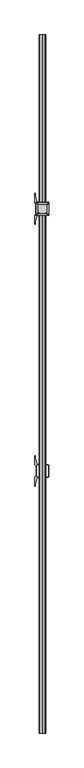
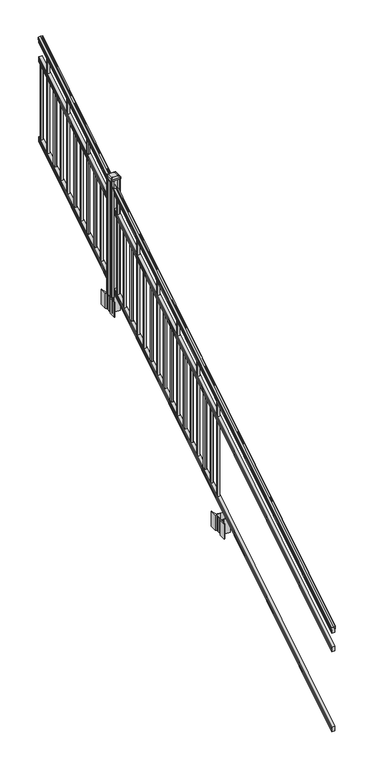
"""IFC4 building model written with IfcOpenShell, lengths in millimetres: railing geometry."""

from ifc_helpers import new_model, si_unit, point, frame, frame_2d, origin, place, context, project, spatial, polyline, circle_curve, ellipse_curve, trimmed, segment, composite_curve, outline, extrude, faceted_brep, source, transform, mapped, element, save
from ifc_brep_helpers import plane_surface, cylinder_surface, revolved_surface, extruded_surface, advanced_brep


def railing_b158373d(model_context):
    return source(origin(), model_context, "Body", "SolidModel", [
        advanced_brep(
        [(9720.6704765, -115957.2628453, 1285.6070492), (9720.6704765, -115957.2628453, 1287.8335658), (9721.8006628, -115957.2628453, 1289.6758543), (9721.8006628, -115957.2628453, 1298.1876358), (9721.1514064, -115957.2628453, 1301.0572588), (9723.6514064, -115957.2628453, 1306.1635509), (9725.0607489, -115957.2628453, 1308.1442021), (9725.4626479, -115957.2628453, 1309.4469579), (9725.4626478, -115957.2628453, 1311.0274846), (9723.9092005, -115957.2628453, 1312.8593836), (9703.2376478, -115957.2628453, 1312.8593836), (9682.566095, -115957.2628453, 1312.8593836), (9681.0126478, -115957.2628453, 1311.0274846), (9681.0126478, -115957.2628453, 1309.4469579), (9681.4145467, -115957.2628453, 1308.1442021), (9682.8238891, -115957.2628453, 1306.1635509), (9685.3238891, -115957.2628453, 1301.0572588), (9684.6746327, -115957.2628453, 1298.1876358), (9684.6746327, -115957.2628453, 1289.6758543), (9685.804819, -115957.2628453, 1287.8335658), (9685.804819, -115957.2628453, 1285.6070492), (9688.3786478, -115957.2628453, 1285.6070492), (9688.3786478, -115957.2628453, 1273.225537), (9687.3626478, -115957.2628453, 1272.0274214), (9687.3626478, -115957.2628453, 1257.3), (9719.1126478, -115957.2628453, 1257.3), (9719.1126478, -115957.2628453, 1271.841318), (9718.0966478, -115957.2628453, 1273.0394336), (9718.0966478, -115957.2628453, 1285.6070492), (9720.6704765, -111080.4628453, 4333.6070492), (9718.0966478, -111080.4628453, 4333.6070492), (9718.0966478, -111080.4628453, 4321.0394336), (9719.1126478, -111080.4628453, 4319.841318), (9719.1126478, -111080.4628453, 4305.3), (9687.3626478, -111080.4628453, 4305.3), (9687.3626478, -111080.4628453, 4320.0274214), (9688.3786478, -111080.4628453, 4321.225537), (9688.3786478, -111080.4628453, 4333.6070492), (9685.804819, -111080.4628453, 4333.6070492), (9685.804819, -111080.4628453, 4335.8335658), (9684.6746327, -111080.4628453, 4337.6758543), (9684.6746327, -111080.4628453, 4346.1876358), (9685.3238891, -111080.4628453, 4349.0572588), (9682.8238891, -111080.4628453, 4354.1635509), (9681.4145467, -111080.4628453, 4356.1442021), (9681.0126477, -111080.4628453, 4357.4469579), (9681.0126478, -111080.4628453, 4359.0274846), (9682.566095, -111080.4628453, 4360.8593836), (9703.2376478, -111080.4628453, 4360.8593836), (9723.9092005, -111080.4628453, 4360.8593836), (9725.4626478, -111080.4628453, 4359.0274846), (9725.4626478, -111080.4628453, 4357.4469579), (9725.0607489, -111080.4628453, 4356.1442021), (9723.6514064, -111080.4628453, 4354.1635509), (9721.1514064, -111080.4628453, 4349.0572588), (9721.8006628, -111080.4628453, 4346.1876358), (9721.8006628, -111080.4628453, 4337.6758543), (9720.6704765, -111080.4628453, 4335.8335658)],
        [
            (0, 1),
            (1, 2, ellipse_curve(frame((9714.3557232, -115957.2628453, 1294.6239405), z_axis=(0.0, -1.0, 0.0), x_axis=(0.0, 0.0, -1.0)), 10.0777926, 8.545951)),
            (2, 3, ellipse_curve(frame((9714.7927862, -115957.2628453, 1293.9317451), z_axis=(0.0, -1.0, 0.0), x_axis=(0.0, 0.0, -1.0)), 9.2955186, 7.882584)),
            (3, 4, ellipse_curve(frame((9725.3061103, -115957.2628453, 1300.8275077), z_axis=(0.0, 1.0, 0.0), x_axis=(0.0, 0.0, 1.0)), 4.9048088, 4.1592695)),
            (4, 5, ellipse_curve(frame((9726.5934169, -115957.2628453, 1300.7563208), z_axis=(0.0, 1.0, 0.0), x_axis=(0.0, 0.0, 1.0)), 6.4245301, 5.4479907)),
            (5, 6, ellipse_curve(frame((9725.3602584, -115957.2628453, 1306.1602333), z_axis=(0.0, 1.0, 0.0), x_axis=(0.0, 0.0, 1.0)), 2.0151625, 1.7088543)),
            (6, 7, ellipse_curve(frame((9723.7433583, -115957.2628453, 1309.4469579), z_axis=(0.0, -1.0, 0.0), x_axis=(0.0, 0.0, -1.0)), 2.0274681, 1.7192895)),
            (7, 8),
            (8, 9, ellipse_curve(frame((9723.9092005, -115957.2628453, 1311.0274846), z_axis=(0.0, -1.0, 0.0), x_axis=(0.0, 0.0, -1.0)), 1.831899, 1.5534472)),
            (9, 10),
            (10, 11),
            (11, 12, ellipse_curve(frame((9682.566095, -115957.2628453, 1311.0274846), z_axis=(0.0, -1.0, 0.0), x_axis=(0.0, 0.0, -1.0)), 1.831899, 1.5534472)),
            (12, 13),
            (13, 14, ellipse_curve(frame((9682.7319372, -115957.2628453, 1309.4469579), z_axis=(0.0, -1.0, 0.0), x_axis=(0.0, 0.0, -1.0)), 2.0274681, 1.7192895)),
            (14, 15, ellipse_curve(frame((9681.1150371, -115957.2628453, 1306.1602333), z_axis=(0.0, 1.0, 0.0), x_axis=(0.0, 0.0, 1.0)), 2.0151625, 1.7088543)),
            (15, 16, ellipse_curve(frame((9679.8818787, -115957.2628453, 1300.7563208), z_axis=(0.0, 1.0, 0.0), x_axis=(0.0, 0.0, 1.0)), 6.4245301, 5.4479907)),
            (16, 17, ellipse_curve(frame((9681.1691852, -115957.2628453, 1300.8275077), z_axis=(0.0, 1.0, 0.0), x_axis=(0.0, 0.0, 1.0)), 4.9048088, 4.1592695)),
            (17, 18, ellipse_curve(frame((9691.6825093, -115957.2628453, 1293.9317451), z_axis=(0.0, -1.0, 0.0), x_axis=(0.0, 0.0, -1.0)), 9.2955186, 7.882584)),
            (18, 19, ellipse_curve(frame((9692.1195723, -115957.2628453, 1294.6239405), z_axis=(0.0, -1.0, 0.0), x_axis=(0.0, 0.0, -1.0)), 10.0777926, 8.545951)),
            (19, 20),
            (20, 21, ellipse_curve(frame((9687.0917334, -115957.2628453, 1285.6070492), z_axis=(0.0, -1.0, 0.0), x_axis=(0.0, 0.0, -1.0)), 1.5175907, 1.2869144)),
            (21, 22),
            (22, 23),
            (23, 24),
            (24, 25),
            (25, 26),
            (26, 27),
            (27, 28),
            (28, 0, ellipse_curve(frame((9719.3835621, -115957.2628453, 1285.6070492), z_axis=(0.0, -1.0, 0.0), x_axis=(0.0, 0.0, -1.0)), 1.5175907, 1.2869144)),
            (29, 30, ellipse_curve(frame((9719.3835621, -111080.4628453, 4333.6070492), z_axis=(0.0, 1.0, 0.0), x_axis=(0.0, 0.0, -1.0)), 1.5175907, 1.2869144)),
            (30, 31),
            (31, 32),
            (32, 33),
            (33, 34),
            (34, 35),
            (35, 36),
            (36, 37),
            (37, 38, ellipse_curve(frame((9687.0917334, -111080.4628453, 4333.6070492), z_axis=(0.0, 1.0, 0.0), x_axis=(0.0, 0.0, -1.0)), 1.5175907, 1.2869144)),
            (38, 39),
            (39, 40, ellipse_curve(frame((9692.1195723, -111080.4628453, 4342.6239405), z_axis=(0.0, 1.0, 0.0), x_axis=(0.0, 0.0, -1.0)), 10.0777926, 8.545951)),
            (40, 41, ellipse_curve(frame((9691.6825093, -111080.4628453, 4341.9317451), z_axis=(0.0, 1.0, 0.0), x_axis=(0.0, 0.0, -1.0)), 9.2955186, 7.882584)),
            (41, 42, ellipse_curve(frame((9681.1691852, -111080.4628453, 4348.8275077), z_axis=(0.0, -1.0, 0.0), x_axis=(0.0, 0.0, 1.0)), 4.9048088, 4.1592695)),
            (42, 43, ellipse_curve(frame((9679.8818787, -111080.4628453, 4348.7563208), z_axis=(0.0, -1.0, 0.0), x_axis=(0.0, 0.0, 1.0)), 6.4245301, 5.4479907)),
            (43, 44, ellipse_curve(frame((9681.1150371, -111080.4628453, 4354.1602333), z_axis=(0.0, -1.0, 0.0), x_axis=(0.0, 0.0, 1.0)), 2.0151625, 1.7088543)),
            (44, 45, ellipse_curve(frame((9682.7319372, -111080.4628453, 4357.4469579), z_axis=(0.0, 1.0, 0.0), x_axis=(0.0, 0.0, -1.0)), 2.0274681, 1.7192895)),
            (45, 46),
            (46, 47, ellipse_curve(frame((9682.566095, -111080.4628453, 4359.0274846), z_axis=(0.0, 1.0, 0.0), x_axis=(0.0, 0.0, -1.0)), 1.831899, 1.5534472)),
            (47, 48),
            (48, 49),
            (49, 50, ellipse_curve(frame((9723.9092005, -111080.4628453, 4359.0274846), z_axis=(0.0, 1.0, 0.0), x_axis=(0.0, 0.0, -1.0)), 1.831899, 1.5534472)),
            (50, 51),
            (51, 52, ellipse_curve(frame((9723.7433583, -111080.4628453, 4357.4469579), z_axis=(0.0, 1.0, 0.0), x_axis=(0.0, 0.0, -1.0)), 2.0274681, 1.7192895)),
            (52, 53, ellipse_curve(frame((9725.3602584, -111080.4628453, 4354.1602333), z_axis=(0.0, -1.0, 0.0), x_axis=(0.0, 0.0, 1.0)), 2.0151625, 1.7088543)),
            (53, 54, ellipse_curve(frame((9726.5934169, -111080.4628453, 4348.7563208), z_axis=(0.0, -1.0, 0.0), x_axis=(0.0, 0.0, 1.0)), 6.4245301, 5.4479907)),
            (54, 55, ellipse_curve(frame((9725.3061103, -111080.4628453, 4348.8275077), z_axis=(0.0, -1.0, 0.0), x_axis=(0.0, 0.0, 1.0)), 4.9048088, 4.1592695)),
            (55, 56, ellipse_curve(frame((9714.7927862, -111080.4628453, 4341.9317451), z_axis=(0.0, 1.0, 0.0), x_axis=(0.0, 0.0, -1.0)), 9.2955186, 7.882584)),
            (56, 57, ellipse_curve(frame((9714.3557232, -111080.4628453, 4342.6239405), z_axis=(0.0, 1.0, 0.0), x_axis=(0.0, 0.0, -1.0)), 10.0777926, 8.545951)),
            (57, 29),
            (28, 30),
            (29, 0),
            (27, 31),
            (26, 32),
            (25, 33),
            (24, 34),
            (23, 35),
            (22, 36),
            (21, 37),
            (20, 38),
            (19, 39),
            (18, 40),
            (17, 41),
            (16, 42),
            (15, 43),
            (14, 44),
            (13, 45),
            (12, 46),
            (11, 47),
            (10, 48),
            (9, 49),
            (8, 50),
            (7, 51),
            (6, 52),
            (5, 53),
            (4, 54),
            (3, 55),
            (2, 56),
            (1, 57),
        ],
        [
            plane_surface(frame((9703.2376478, -115957.2628453, 1257.3), z_axis=(0.0, -1.0, 0.0), x_axis=(0.0, 0.0, 1.0))),
            plane_surface(frame((9703.2376478, -111080.4628453, 4305.3), z_axis=(0.0, 1.0, 0.0), x_axis=(0.0, 0.0, 1.0))),
            cylinder_surface(frame((9719.3835621, -115969.9851146, 1277.6556309), z_axis=(0.0, -0.8479983040051253, -0.5299989400031204), x_axis=(-1.0, 0.0, 0.0)), 1.2869144),
            plane_surface(frame((9718.0966478, -115957.2628453, 1273.0394336), z_axis=(1.0, 0.0, 0.0), x_axis=(0.0, 0.8479983040051252, 0.5299989400031204))),
            plane_surface(frame((9719.1126478, -115957.2628453, 1271.841318), z_axis=(0.7071067811865389, -0.374765844497894, 0.5996253511967226), x_axis=(0.0, 0.8479983040051253, 0.5299989400031204))),
            plane_surface(frame((9719.1126478, -115957.2628453, 1257.3), z_axis=(1.0, 0.0, 0.0), x_axis=(0.0, 0.8479983040051252, 0.5299989400031204))),
            plane_surface(frame((9687.3626478, -115957.2628453, 1257.3), z_axis=(0.0, 0.5299989400031204, -0.8479983040051252), x_axis=(0.0, 0.8479983040051252, 0.5299989400031204))),
            plane_surface(frame((9687.3626478, -115957.2628453, 1272.0274214), z_axis=(-1.0, 0.0, 0.0), x_axis=(0.0, 0.8479983040051252, 0.5299989400031204))),
            plane_surface(frame((9688.3786478, -115957.2628453, 1273.225537), z_axis=(-0.7071067811865437, -0.3747658444978899, 0.5996253511967191), x_axis=(0.0, 0.8479983040051252, 0.5299989400031205))),
            plane_surface(frame((9688.3786478, -115957.2628453, 1285.6070492), z_axis=(-1.0, 0.0, 0.0), x_axis=(0.0, 0.8479983040051252, 0.5299989400031204))),
            cylinder_surface(frame((9687.0917334, -115969.9851146, 1277.6556309), z_axis=(0.0, -0.8479983040051253, -0.5299989400031204), x_axis=(1.0, 0.0, 0.0)), 1.2869144),
            plane_surface(frame((9685.804819, -115957.2628453, 1287.8335658), z_axis=(-1.0, 0.0, 0.0), x_axis=(0.0, 0.8479983040051252, 0.5299989400031204))),
            cylinder_surface(frame((9692.1195723, -115974.03765, 1284.1396876), z_axis=(0.0, -0.8479983040051253, -0.5299989400031204), x_axis=(1.0, 0.0, 0.0)), 8.545951),
            cylinder_surface(frame((9691.6825093, -115973.7265509, 1283.641929), z_axis=(0.0, -0.8479983040051253, -0.5299989400031204), x_axis=(1.0, 0.0, 0.0)), 7.882584),
            revolved_surface(polyline([(9685.3284547, -111078.25843685034, 4350.205262980551), (9685.3284547, -115959.46725374945, 1299.4497524190954)]), (9681.1691852, -115976.8257701, 1288.6006797), (0.0, 0.8479983040051253, 0.5299989400031204)),
            revolved_surface(polyline([(9685.3298694, -111077.57541603575, 4350.5609640771845), (9685.3298694, -115960.15027455281, 1298.9516775044929)]), (9679.8818787, -115976.793776, 1288.5494891), (0.0, 0.8479983040051253, 0.5299989400031204)),
            revolved_surface(polyline([(9682.823891400001, -111079.55715429978, 4354.726290199651), (9682.823891400001, -115958.16853632247, 1305.594176435948)]), (9681.1150371, -115979.2225007, 1292.4354487), (0.0, 0.8479983040051253, 0.5299989400031204)),
            cylinder_surface(frame((9682.7319372, -115980.6996803, 1294.798936), z_axis=(0.0, -0.8479983040051253, -0.5299989400031204), x_axis=(1.0, 0.0, 0.0)), 1.7192895),
            plane_surface(frame((9681.0126478, -115957.2628453, 1311.0274846), z_axis=(-1.0, 0.0, 0.0), x_axis=(0.0, 0.8479983040051252, 0.5299989400031204))),
            cylinder_surface(frame((9682.566095, -115981.4100294, 1295.9354945), z_axis=(0.0, -0.8479983040051253, -0.5299989400031204), x_axis=(1.0, 0.0, 0.0)), 1.5534472),
            plane_surface(frame((9703.2376478, -115957.2628453, 1312.8593836), z_axis=(0.0, -0.5299989400031204, 0.8479983040051252), x_axis=(0.0, 0.8479983040051252, 0.5299989400031204))),
            plane_surface(frame((9723.9092005, -115957.2628453, 1312.8593836), z_axis=(0.0, -0.5299989400031204, 0.8479983040051252), x_axis=(0.0, 0.8479983040051252, 0.5299989400031204))),
            cylinder_surface(frame((9723.9092005, -115981.4100294, 1295.9354945), z_axis=(0.0, -0.8479983040051253, -0.5299989400031204), x_axis=(-1.0, 0.0, 0.0)), 1.5534472),
            plane_surface(frame((9725.4626478, -115957.2628453, 1309.4469579), z_axis=(1.0, 0.0, 0.0), x_axis=(0.0, 0.8479983040051252, 0.5299989400031204))),
            cylinder_surface(frame((9723.7433583, -115980.6996803, 1294.798936), z_axis=(0.0, -0.8479983040051253, -0.5299989400031204), x_axis=(-1.0, 0.0, 0.0)), 1.7192895),
            revolved_surface(polyline([(9723.6514041, -111079.55715429978, 4354.726290199651), (9723.6514041, -115958.16853632247, 1305.594176435948)]), (9725.3602584, -115979.2225007, 1292.4354487), (0.0, 0.8479983040051253, 0.5299989400031204)),
            revolved_surface(polyline([(9721.145426199999, -111077.57541603575, 4350.5609640771845), (9721.145426199999, -115960.15027455281, 1298.9516775044929)]), (9726.5934169, -115976.793776, 1288.5494891), (0.0, 0.8479983040051253, 0.5299989400031204)),
            revolved_surface(polyline([(9721.1468408, -111078.25843685034, 4350.205262980551), (9721.1468408, -115959.46725374945, 1299.4497524190954)]), (9725.3061103, -115976.8257701, 1288.6006797), (0.0, 0.8479983040051253, 0.5299989400031204)),
            cylinder_surface(frame((9714.7927862, -115973.7265509, 1283.641929), z_axis=(0.0, -0.8479983040051253, -0.5299989400031204), x_axis=(-1.0, 0.0, 0.0)), 7.882584),
            cylinder_surface(frame((9714.3557232, -115974.03765, 1284.1396876), z_axis=(0.0, -0.8479983040051253, -0.5299989400031204), x_axis=(-1.0, 0.0, 0.0)), 8.545951),
            plane_surface(frame((9720.6704765, -115957.2628453, 1285.6070492), z_axis=(1.0, 0.0, 0.0), x_axis=(0.0, 0.8479983040051252, 0.5299989400031204))),
        ],
        [
            (0, [[1, 2, 3, 4, 5, 6, 7, 8, 9, 10, 11, 12, 13, 14, 15, 16, 17, 18, 19, 20, 21, 22, 23, 24, 25, 26, 27, 28, 29]]),
            (1, [[30, 31, 32, 33, 34, 35, 36, 37, 38, 39, 40, 41, 42, 43, 44, 45, 46, 47, 48, 49, 50, 51, 52, 53, 54, 55, 56, 57, 58]]),
            (2, [[-29, 59, -30, 60]]),
            (3, [[-28, 61, -31, -59]]),
            (4, [[-27, 62, -32, -61]]),
            (5, [[-26, 63, -33, -62]]),
            (6, [[-25, 64, -34, -63]]),
            (7, [[-24, 65, -35, -64]]),
            (8, [[-23, 66, -36, -65]]),
            (9, [[-22, 67, -37, -66]]),
            (10, [[-21, 68, -38, -67]]),
            (11, [[-20, 69, -39, -68]]),
            (12, [[-19, 70, -40, -69]]),
            (13, [[-18, 71, -41, -70]]),
            (14, [[-17, 72, -42, -71]]),
            (15, [[-16, 73, -43, -72]]),
            (16, [[-15, 74, -44, -73]]),
            (17, [[-14, 75, -45, -74]]),
            (18, [[-13, 76, -46, -75]]),
            (19, [[-12, 77, -47, -76]]),
            (20, [[-11, 78, -48, -77]]),
            (21, [[-10, 79, -49, -78]]),
            (22, [[-9, 80, -50, -79]]),
            (23, [[-8, 81, -51, -80]]),
            (24, [[-7, 82, -52, -81]]),
            (25, [[-6, 83, -53, -82]]),
            (26, [[-5, 84, -54, -83]]),
            (27, [[-4, 85, -55, -84]]),
            (28, [[-3, 86, -56, -85]]),
            (29, [[-2, 87, -57, -86]]),
            (30, [[-1, -60, -58, -87]]),
        ],
    ),
        faceted_brep([(9719.1501347, -115957.2628453, 1081.6045079), (9718.1341347, -115957.2628453, 1083.138026), (9718.1341347, -115957.2628453, 1095.3545048), (9719.1501347, -115957.2628453, 1096.9444579), (9719.1501347, -115957.2628453, 1111.7244744), (9687.4001347, -115957.2628453, 1111.7244744), (9687.4001347, -115957.2628453, 1096.9248272), (9688.4161347, -115957.2628453, 1095.3348741), (9688.4161347, -115957.2628453, 1083.1748303), (9687.4001347, -115957.2628453, 1081.5848772), (9687.4001347, -115957.2628453, 1066.8), (9719.1501347, -115957.2628453, 1066.8), (9719.1501347, -111080.4628453, 4129.6045079), (9719.1501347, -111080.4628453, 4114.8), (9687.4001347, -111080.4628453, 4114.8), (9687.4001347, -111080.4628453, 4129.5848772), (9688.4161347, -111080.4628453, 4131.1748303), (9688.4161347, -111080.4628453, 4143.3348741), (9687.4001347, -111080.4628453, 4144.9248272), (9687.4001347, -111080.4628453, 4159.7244744), (9719.1501347, -111080.4628453, 4159.7244744), (9719.1501347, -111080.4628453, 4144.9444579), (9718.1341347, -111080.4628453, 4143.3545048), (9718.1341347, -111080.4628453, 4131.138026)], [[[0, 1, 2, 3, 4, 5, 6, 7, 8, 9, 10, 11]], [[12, 13, 14, 15, 16, 17, 18, 19, 20, 21, 22, 23]], [[0, 11, 13, 12]], [[11, 10, 14, 13]], [[10, 9, 15, 14]], [[9, 8, 16, 15]], [[8, 7, 17, 16]], [[7, 6, 18, 17]], [[6, 5, 19, 18]], [[5, 4, 20, 19]], [[4, 3, 21, 20]], [[3, 2, 22, 21]], [[2, 1, 23, 22]], [[1, 0, 12, 23]]]),
        faceted_brep([(9719.1501347, -115957.2628453, 268.8045079), (9718.1341347, -115957.2628453, 270.338026), (9718.1341347, -115957.2628453, 282.5545048), (9719.1501347, -115957.2628453, 284.1444579), (9719.1501347, -115957.2628453, 298.9244744), (9687.4001347, -115957.2628453, 298.9244744), (9687.4001347, -115957.2628453, 284.1248272), (9688.4161347, -115957.2628453, 282.5348741), (9688.4161347, -115957.2628453, 270.3748303), (9687.4001347, -115957.2628453, 268.7848772), (9687.4001347, -115957.2628453, 254.0), (9719.1501347, -115957.2628453, 254.0), (9719.1501347, -111080.4628453, 3316.8045079), (9719.1501347, -111080.4628453, 3302.0), (9687.4001347, -111080.4628453, 3302.0), (9687.4001347, -111080.4628453, 3316.7848772), (9688.4161347, -111080.4628453, 3318.3748303), (9688.4161347, -111080.4628453, 3330.5348741), (9687.4001347, -111080.4628453, 3332.1248272), (9687.4001347, -111080.4628453, 3346.9244744), (9719.1501347, -111080.4628453, 3346.9244744), (9719.1501347, -111080.4628453, 3332.1444579), (9718.1341347, -111080.4628453, 3330.5545048), (9718.1341347, -111080.4628453, 3318.338026)], [[[0, 1, 2, 3, 4, 5, 6, 7, 8, 9, 10, 11]], [[12, 13, 14, 15, 16, 17, 18, 19, 20, 21, 22, 23]], [[2, 1, 23, 22]], [[4, 3, 21, 20]], [[6, 5, 19, 18]], [[0, 11, 13, 12]], [[1, 0, 12, 23]], [[3, 2, 22, 21]], [[5, 4, 20, 19]], [[7, 6, 18, 17]], [[8, 7, 17, 16]], [[9, 8, 16, 15]], [[10, 9, 15, 14]], [[11, 10, 14, 13]]]),
        extrude(outline(polyline([(9712.7626478, -111111.5778453), (9693.7126478, -111111.5778453), (9693.7126478, -111092.5278453), (9712.7626478, -111092.5278453), (9712.7626478, -111111.5778453)]), holes=[polyline([(9712.3657728, -111111.1809703), (9712.3657728, -111092.9247203), (9694.1095228, -111092.9247203), (9694.1095228, -111111.1809703), (9712.3657728, -111111.1809703)])]), frame((0.0, 0.0, 3326.6021281), z_axis=(0.0, 0.0, 1.0), x_axis=(1.0, 0.0, 0.0)), (0.0, 0.0, 1.0), 774.7041219),
        extrude(outline(polyline([(9712.7626478, -111222.8298453), (9693.7126478, -111222.8298453), (9693.7126478, -111203.7798453), (9712.7626478, -111203.7798453), (9712.7626478, -111222.8298453)]), holes=[polyline([(9712.3657728, -111222.4329703), (9712.3657728, -111204.1767203), (9694.1095228, -111204.1767203), (9694.1095228, -111222.4329703), (9712.3657728, -111222.4329703)])]), frame((0.0, 0.0, 3257.0696281), z_axis=(0.0, 0.0, 1.0), x_axis=(1.0, 0.0, 0.0)), (0.0, 0.0, 1.0), 965.2041219),
        extrude(outline(polyline([(9712.7626478, -111334.0818453), (9693.7126478, -111334.0818453), (9693.7126478, -111315.0318453), (9712.7626478, -111315.0318453), (9712.7626478, -111334.0818453)]), holes=[polyline([(9712.3657728, -111333.6849703), (9712.3657728, -111315.4287203), (9694.1095228, -111315.4287203), (9694.1095228, -111333.6849703), (9712.3657728, -111333.6849703)])]), frame((0.0, 0.0, 3187.5371281), z_axis=(0.0, 0.0, 1.0), x_axis=(1.0, 0.0, 0.0)), (0.0, 0.0, 1.0), 774.7041219),
        extrude(outline(polyline([(9712.7626478, -111445.3338453), (9693.7126478, -111445.3338453), (9693.7126478, -111426.2838453), (9712.7626478, -111426.2838453), (9712.7626478, -111445.3338453)]), holes=[polyline([(9712.3657728, -111444.9369703), (9712.3657728, -111426.6807203), (9694.1095228, -111426.6807203), (9694.1095228, -111444.9369703), (9712.3657728, -111444.9369703)])]), frame((0.0, 0.0, 3118.0046281), z_axis=(0.0, 0.0, 1.0), x_axis=(1.0, 0.0, 0.0)), (0.0, 0.0, 1.0), 774.7041219),
        extrude(outline(polyline([(9712.7626478, -111556.5858453), (9693.7126478, -111556.5858453), (9693.7126478, -111537.5358453), (9712.7626478, -111537.5358453), (9712.7626478, -111556.5858453)]), holes=[polyline([(9712.3657728, -111556.1889703), (9712.3657728, -111537.9327203), (9694.1095228, -111537.9327203), (9694.1095228, -111556.1889703), (9712.3657728, -111556.1889703)])]), frame((0.0, 0.0, 3048.4721281), z_axis=(0.0, 0.0, 1.0), x_axis=(1.0, 0.0, 0.0)), (0.0, 0.0, 1.0), 965.2041219),
        extrude(outline(polyline([(9712.7626478, -111667.8378453), (9693.7126478, -111667.8378453), (9693.7126478, -111648.7878453), (9712.7626478, -111648.7878453), (9712.7626478, -111667.8378453)]), holes=[polyline([(9712.3657728, -111667.4409703), (9712.3657728, -111649.1847203), (9694.1095228, -111649.1847203), (9694.1095228, -111667.4409703), (9712.3657728, -111667.4409703)])]), frame((0.0, 0.0, 2978.9396281), z_axis=(0.0, 0.0, 1.0), x_axis=(1.0, 0.0, 0.0)), (0.0, 0.0, 1.0), 774.7041219),
        extrude(outline(polyline([(9712.7626478, -111779.0898453), (9693.7126478, -111779.0898453), (9693.7126478, -111760.0398453), (9712.7626478, -111760.0398453), (9712.7626478, -111779.0898453)]), holes=[polyline([(9712.3657728, -111778.6929703), (9712.3657728, -111760.4367203), (9694.1095228, -111760.4367203), (9694.1095228, -111778.6929703), (9712.3657728, -111778.6929703)])]), frame((0.0, 0.0, 2909.4071281), z_axis=(0.0, 0.0, 1.0), x_axis=(1.0, 0.0, 0.0)), (0.0, 0.0, 1.0), 774.7041219),
        extrude(outline(polyline([(9712.7626478, -111890.3418453), (9693.7126478, -111890.3418453), (9693.7126478, -111871.2918453), (9712.7626478, -111871.2918453), (9712.7626478, -111890.3418453)]), holes=[polyline([(9712.3657728, -111889.9449703), (9712.3657728, -111871.6887203), (9694.1095228, -111871.6887203), (9694.1095228, -111889.9449703), (9712.3657728, -111889.9449703)])]), frame((0.0, 0.0, 2839.8746281), z_axis=(0.0, 0.0, 1.0), x_axis=(1.0, 0.0, 0.0)), (0.0, 0.0, 1.0), 965.2041219),
        extrude(outline(polyline([(9712.7626478, -112001.5938453), (9693.7126478, -112001.5938453), (9693.7126478, -111982.5438453), (9712.7626478, -111982.5438453), (9712.7626478, -112001.5938453)]), holes=[polyline([(9712.3657728, -112001.1969703), (9712.3657728, -111982.9407203), (9694.1095228, -111982.9407203), (9694.1095228, -112001.1969703), (9712.3657728, -112001.1969703)])]), frame((0.0, 0.0, 2770.3421281), z_axis=(0.0, 0.0, 1.0), x_axis=(1.0, 0.0, 0.0)), (0.0, 0.0, 1.0), 774.7041219),
        extrude(outline(polyline([(9712.7626478, -112112.8458453), (9693.7126478, -112112.8458453), (9693.7126478, -112093.7958453), (9712.7626478, -112093.7958453), (9712.7626478, -112112.8458453)]), holes=[polyline([(9712.3657728, -112112.4489703), (9712.3657728, -112094.1927203), (9694.1095228, -112094.1927203), (9694.1095228, -112112.4489703), (9712.3657728, -112112.4489703)])]), frame((0.0, 0.0, 2700.8096281), z_axis=(0.0, 0.0, 1.0), x_axis=(1.0, 0.0, 0.0)), (0.0, 0.0, 1.0), 774.7041219),
        extrude(outline(polyline([(9712.7626478, -112224.0978453), (9693.7126478, -112224.0978453), (9693.7126478, -112205.0478453), (9712.7626478, -112205.0478453), (9712.7626478, -112224.0978453)]), holes=[polyline([(9712.3657728, -112223.7009703), (9712.3657728, -112205.4447203), (9694.1095228, -112205.4447203), (9694.1095228, -112223.7009703), (9712.3657728, -112223.7009703)])]), frame((0.0, 0.0, 2631.2771281), z_axis=(0.0, 0.0, 1.0), x_axis=(1.0, 0.0, 0.0)), (0.0, 0.0, 1.0), 965.2041219),
        extrude(outline(composite_curve([segment(polyline([(9745.9731478, -112312.9849401), (9747.5606478, -112313.7469401), (9747.5606478, -112336.5488682), (9744.1876707, -112339.9218453), (9682.7279999, -112339.9218453), (9682.7279999, -112340.8425953), (9677.4104561, -112340.8425953), (9677.4104561, -112342.29685), (9672.3259264, -112342.29685), (9672.3259264, -112343.5808738), (9670.6586541, -112343.5808738)]), True, "CONTINUOUS"), segment(trimmed(circle_curve(frame_2d((9670.6586541, -112350.6403337)), 7.0594599), [point((9670.6586541, -112343.5808738))], [point((9663.8913912, -112348.630327))], True, "CARTESIAN"), True, "CONTINUOUS"), segment(polyline([(9663.8913912, -112348.630327), (9656.0171969, -112375.1410561)]), True, "CONTINUOUS"), segment(trimmed(circle_curve(frame_2d((9710.8017103, -112391.4131057)), 57.15), [point((9656.0171969, -112375.1410561))], [point((9653.6517103, -112391.4131057))], True, "CARTESIAN"), True, "CONTINUOUS"), segment(polyline([(9653.6517103, -112391.4131057), (9653.6517103, -112403.4218453), (9650.6517103, -112403.4218453), (9650.6517103, -112338.3343453), (9658.9146478, -112326.996054), (9658.9146478, -112313.7469401), (9660.5021478, -112312.9849401), (9660.5021478, -112278.2127504), (9658.9146478, -112277.4507504), (9658.9146478, -112264.2016366), (9650.6517103, -112252.8633453), (9650.6517103, -112187.7758453), (9653.6517103, -112187.7758453), (9653.6517103, -112199.7845848)]), True, "CONTINUOUS"), segment(trimmed(circle_curve(frame_2d((9710.8017103, -112199.7845848)), 57.15), [point((9653.6517103, -112199.7845848))], [point((9656.0171969, -112216.0566345))], True, "CARTESIAN"), True, "CONTINUOUS"), segment(polyline([(9656.0171969, -112216.0566345), (9663.8913912, -112242.5673636)]), True, "CONTINUOUS"), segment(trimmed(circle_curve(frame_2d((9670.6586541, -112240.5573569)), 7.0594599), [point((9663.8913912, -112242.5673636))], [point((9670.6586541, -112247.6168168))], True, "CARTESIAN"), True, "CONTINUOUS"), segment(polyline([(9670.6586541, -112247.6168168), (9672.3259264, -112247.6168168), (9672.3259264, -112248.9008406), (9677.4104561, -112248.9008406), (9677.4104561, -112250.3550953), (9682.7279999, -112250.3550953), (9682.7279999, -112251.2758453), (9744.1876707, -112251.2758453), (9747.5606478, -112254.6488224), (9747.5606478, -112277.4507504), (9745.9731478, -112278.2127504), (9745.9731478, -112312.9849401)]), True, "CONTINUOUS")], self_intersect=False), holes=[polyline([(9661.9626478, -112255.9113453), (9661.9626478, -112335.2863453), (9663.5501478, -112336.8738453), (9700.4744304, -112336.8738453), (9742.9251478, -112336.8738453), (9744.5126478, -112335.2863453), (9744.5126478, -112255.9113453), (9742.9251478, -112254.3238453), (9700.4744304, -112254.3238453), (9663.5501478, -112254.3238453), (9661.9626478, -112255.9113453)])]), frame((0.0, 0.0, 2326.64), z_axis=(0.0, 0.0, 1.0), x_axis=(1.0, 0.0, 0.0)), (0.0, 0.0, 1.0), 152.4),
        advanced_brep(
        [(9677.4407728, -112324.5707203, 3691.379263), (9729.0345228, -112324.5707203, 3691.379263), (9732.2095228, -112321.3957203, 3691.379263), (9732.2095228, -112269.8019703, 3691.379263), (9729.0345228, -112266.6269703, 3691.379263), (9677.4407728, -112266.6269703, 3691.379263), (9674.2657728, -112269.8019703, 3691.379263), (9674.2657728, -112321.3957203, 3691.379263), (9661.1688978, -112340.8425953, 3680.076263), (9657.9938978, -112337.6675953, 3680.076263), (9657.9938978, -112253.5300953, 3680.076263), (9661.1688978, -112250.3550953, 3680.076263), (9745.3063978, -112250.3550953, 3680.076263), (9748.4813978, -112253.5300953, 3680.076263), (9748.4813978, -112337.6675953, 3680.076263), (9745.3063978, -112340.8425953, 3680.076263)],
        [
            (0, 1),
            (1, 2, circle_curve(frame((9729.0345228, -112321.3957203, 3691.379263), z_axis=(0.0, 0.0, 1.0), x_axis=(0.0, 1.0, 0.0)), 3.175)),
            (2, 3),
            (3, 4, circle_curve(frame((9729.0345228, -112269.8019703, 3691.379263), z_axis=(0.0, 0.0, 1.0), x_axis=(0.0, 1.0, 0.0)), 3.175)),
            (4, 5),
            (5, 6, circle_curve(frame((9677.4407728, -112269.8019703, 3691.379263), z_axis=(0.0, 0.0, 1.0), x_axis=(0.0, 1.0, 0.0)), 3.175)),
            (6, 7),
            (7, 0, circle_curve(frame((9677.4407728, -112321.3957203, 3691.379263), z_axis=(0.0, 0.0, 1.0), x_axis=(0.0, 1.0, 0.0)), 3.175)),
            (8, 9, circle_curve(frame((9661.1688978, -112337.6675953, 3680.076263), z_axis=(0.0, 0.0, -1.0), x_axis=(0.0, 1.0, 0.0)), 3.175)),
            (9, 10),
            (10, 11, circle_curve(frame((9661.1688978, -112253.5300953, 3680.076263), z_axis=(0.0, 0.0, -1.0), x_axis=(0.0, 1.0, 0.0)), 3.175)),
            (11, 12),
            (12, 13, circle_curve(frame((9745.3063978, -112253.5300953, 3680.076263), z_axis=(0.0, 0.0, -1.0), x_axis=(0.0, 1.0, 0.0)), 3.175)),
            (13, 14),
            (14, 15, circle_curve(frame((9745.3063978, -112337.6675953, 3680.076263), z_axis=(0.0, 0.0, -1.0), x_axis=(0.0, 1.0, 0.0)), 3.175)),
            (15, 8),
            (8, 0),
            (7, 9),
            (6, 10),
            (5, 11),
            (4, 12),
            (3, 13),
            (2, 14),
            (1, 15),
        ],
        [
            plane_surface(frame((9703.2376478, -112295.5988453, 3691.379263), z_axis=(0.0, 0.0, 1.0), x_axis=(-1.0, 0.0, 0.0))),
            plane_surface(frame((9703.2376478, -112295.5988453, 3680.076263), z_axis=(0.0, 0.0, -1.0), x_axis=(-1.0, 0.0, 0.0))),
            extruded_surface(trimmed(circle_curve(frame((9677.4407728, -112321.3957203, 3691.379263), z_axis=(0.0, 0.0, -1.0), x_axis=(0.0, 1.0, 0.0)), 3.175), [point((9677.4407728, -112324.5707203, 3691.379263))], [point((9674.2657728, -112321.3957203, 3691.379263))], True, "CARTESIAN"), (-16.271875000000364, -16.27187499999127, -11.302999999999884), 25.637972638860802),
            plane_surface(frame((9657.9938978, -112295.5988453, 3680.076263), z_axis=(-0.5705009161540778, 0.0, 0.8212969649690408), x_axis=(0.0, 1.0, 0.0))),
            extruded_surface(trimmed(circle_curve(frame((9677.4407728, -112269.8019703, 3691.379263), z_axis=(0.0, 0.0, -1.0), x_axis=(0.0, 1.0, 0.0)), 3.175), [point((9674.2657728, -112269.8019703, 3691.379263))], [point((9677.4407728, -112266.6269703, 3691.379263))], True, "CARTESIAN"), (-16.271875000000364, 16.27187500000582, -11.302999999999884), 25.637972638870036),
            plane_surface(frame((9703.2376478, -112250.3550953, 3680.076263), z_axis=(0.0, 0.5705009161540291, 0.8212969649690747), x_axis=(1.0, 0.0, 0.0))),
            extruded_surface(trimmed(circle_curve(frame((9729.0345228, -112269.8019703, 3691.379263), z_axis=(0.0, 0.0, -1.0), x_axis=(0.0, 1.0, 0.0)), 3.175), [point((9729.0345228, -112266.6269703, 3691.379263))], [point((9732.2095228, -112269.8019703, 3691.379263))], True, "CARTESIAN"), (16.271874999998545, 16.27187500000582, -11.302999999999884), 25.63797263886888),
            plane_surface(frame((9748.4813978, -112295.5988453, 3680.076263), z_axis=(0.5705009161540142, 0.0, 0.8212969649690851), x_axis=(0.0, -1.0, 0.0))),
            extruded_surface(trimmed(circle_curve(frame((9729.0345228, -112321.3957203, 3691.379263), z_axis=(0.0, 0.0, -1.0), x_axis=(0.0, 1.0, 0.0)), 3.175), [point((9732.2095228, -112321.3957203, 3691.379263))], [point((9729.0345228, -112324.5707203, 3691.379263))], True, "CARTESIAN"), (16.271874999998545, -16.27187499999127, -11.302999999999884), 25.637972638859644),
            plane_surface(frame((9703.2376478, -112340.8425953, 3680.076263), z_axis=(0.0, -0.570500916154034, 0.8212969649690713), x_axis=(-1.0, 0.0, 0.0))),
        ],
        [
            (0, [[1, 2, 3, 4, 5, 6, 7, 8]]),
            (1, [[9, 10, 11, 12, 13, 14, 15, 16]]),
            (2, [[17, -8, 18, -9]]),
            (3, [[-18, -7, 19, -10]]),
            (4, [[-19, -6, 20, -11]]),
            (5, [[-20, -5, 21, -12]]),
            (6, [[-21, -4, 22, -13]]),
            (7, [[-22, -3, 23, -14]]),
            (8, [[-23, -2, 24, -15]]),
            (9, [[-24, -1, -17, -16]]),
        ],
    ),
        extrude(outline(composite_curve([segment(trimmed(circle_curve(frame_2d((9661.1688978, -112337.6675953)), 3.175), [point((9661.1688978, -112340.8425953))], [point((9657.9938978, -112337.6675953))], False, "CARTESIAN"), True, "CONTINUOUS"), segment(polyline([(9657.9938978, -112337.6675953), (9657.9938978, -112253.5300953)]), True, "CONTINUOUS"), segment(trimmed(circle_curve(frame_2d((9661.1688978, -112253.5300953)), 3.175), [point((9657.9938978, -112253.5300953))], [point((9661.1688978, -112250.3550953))], False, "CARTESIAN"), True, "CONTINUOUS"), segment(polyline([(9661.1688978, -112250.3550953), (9745.3063978, -112250.3550953)]), True, "CONTINUOUS"), segment(trimmed(circle_curve(frame_2d((9745.3063978, -112253.5300953)), 3.175), [point((9745.3063978, -112250.3550953))], [point((9748.4813978, -112253.5300953))], False, "CARTESIAN"), True, "CONTINUOUS"), segment(polyline([(9748.4813978, -112253.5300953), (9748.4813978, -112337.6675953)]), True, "CONTINUOUS"), segment(trimmed(circle_curve(frame_2d((9745.3063978, -112337.6675953)), 3.175), [point((9748.4813978, -112337.6675953))], [point((9745.3063978, -112340.8425953))], False, "CARTESIAN"), True, "CONTINUOUS"), segment(polyline([(9745.3063978, -112340.8425953), (9661.1688978, -112340.8425953)]), True, "CONTINUOUS")], self_intersect=False)), frame((0.0, 0.0, 3662.804263), z_axis=(0.0, 0.0, 1.0), x_axis=(1.0, 0.0, 0.0)), (0.0, 0.0, 1.0), 17.272),
        extrude(outline(polyline([(9663.5501478, -112336.8738453), (9661.9626478, -112335.2863453), (9661.9626478, -112315.6648453), (9663.5501478, -112314.9028453), (9663.5501478, -112276.2948453), (9661.9626478, -112275.5328453), (9661.9626478, -112255.9113453), (9663.5501478, -112254.3238453), (9683.1716478, -112254.3238453), (9683.9336478, -112255.9113453), (9722.5416478, -112255.9113453), (9723.3036478, -112254.3238453), (9742.9251478, -112254.3238453), (9744.5126478, -112255.9113453), (9744.5126478, -112275.5328453), (9742.9251478, -112276.2948453), (9742.9251478, -112314.9028453), (9744.5126478, -112315.6648453), (9744.5126478, -112335.2863453), (9742.9251478, -112336.8738453), (9723.3036478, -112336.8738453), (9722.5416478, -112335.2863453), (9683.9336478, -112335.2863453), (9683.1716478, -112336.8738453), (9663.5501478, -112336.8738453)])), frame((0.0, 0.0, 2479.04), z_axis=(0.0, 0.0, 1.0), x_axis=(1.0, 0.0, 0.0)), (0.0, 0.0, 1.0), 1183.764263),
        extrude(outline(polyline([(9712.7626478, -112386.1498453), (9693.7126478, -112386.1498453), (9693.7126478, -112367.0998453), (9712.7626478, -112367.0998453), (9712.7626478, -112386.1498453)]), holes=[polyline([(9712.3657728, -112385.7529703), (9712.3657728, -112367.4967203), (9694.1095228, -112367.4967203), (9694.1095228, -112385.7529703), (9712.3657728, -112385.7529703)])]), frame((0.0, 0.0, 2529.9946281), z_axis=(0.0, 0.0, 1.0), x_axis=(1.0, 0.0, 0.0)), (0.0, 0.0, 1.0), 965.2041219),
        extrude(outline(polyline([(9712.7626478, -112497.4018453), (9693.7126478, -112497.4018453), (9693.7126478, -112478.3518453), (9712.7626478, -112478.3518453), (9712.7626478, -112497.4018453)]), holes=[polyline([(9712.3657728, -112497.0049703), (9712.3657728, -112478.7487203), (9694.1095228, -112478.7487203), (9694.1095228, -112497.0049703), (9712.3657728, -112497.0049703)])]), frame((0.0, 0.0, 2460.4621281), z_axis=(0.0, 0.0, 1.0), x_axis=(1.0, 0.0, 0.0)), (0.0, 0.0, 1.0), 774.7041219),
        extrude(outline(polyline([(9712.7626478, -112608.6538453), (9693.7126478, -112608.6538453), (9693.7126478, -112589.6038453), (9712.7626478, -112589.6038453), (9712.7626478, -112608.6538453)]), holes=[polyline([(9712.3657728, -112608.2569703), (9712.3657728, -112590.0007203), (9694.1095228, -112590.0007203), (9694.1095228, -112608.2569703), (9712.3657728, -112608.2569703)])]), frame((0.0, 0.0, 2390.9296281), z_axis=(0.0, 0.0, 1.0), x_axis=(1.0, 0.0, 0.0)), (0.0, 0.0, 1.0), 774.7041219),
        extrude(outline(polyline([(9712.7626478, -112719.9058453), (9693.7126478, -112719.9058453), (9693.7126478, -112700.8558453), (9712.7626478, -112700.8558453), (9712.7626478, -112719.9058453)]), holes=[polyline([(9712.3657728, -112719.5089703), (9712.3657728, -112701.2527203), (9694.1095228, -112701.2527203), (9694.1095228, -112719.5089703), (9712.3657728, -112719.5089703)])]), frame((0.0, 0.0, 2321.3971281), z_axis=(0.0, 0.0, 1.0), x_axis=(1.0, 0.0, 0.0)), (0.0, 0.0, 1.0), 965.2041219),
        extrude(outline(polyline([(9712.7626478, -112831.1578453), (9693.7126478, -112831.1578453), (9693.7126478, -112812.1078453), (9712.7626478, -112812.1078453), (9712.7626478, -112831.1578453)]), holes=[polyline([(9712.3657728, -112830.7609703), (9712.3657728, -112812.5047203), (9694.1095228, -112812.5047203), (9694.1095228, -112830.7609703), (9712.3657728, -112830.7609703)])]), frame((0.0, 0.0, 2251.8646281), z_axis=(0.0, 0.0, 1.0), x_axis=(1.0, 0.0, 0.0)), (0.0, 0.0, 1.0), 774.7041219),
        extrude(outline(polyline([(9712.7626478, -112942.4098453), (9693.7126478, -112942.4098453), (9693.7126478, -112923.3598453), (9712.7626478, -112923.3598453), (9712.7626478, -112942.4098453)]), holes=[polyline([(9712.3657728, -112942.0129703), (9712.3657728, -112923.7567203), (9694.1095228, -112923.7567203), (9694.1095228, -112942.0129703), (9712.3657728, -112942.0129703)])]), frame((0.0, 0.0, 2182.3321281), z_axis=(0.0, 0.0, 1.0), x_axis=(1.0, 0.0, 0.0)), (0.0, 0.0, 1.0), 774.7041219),
        extrude(outline(polyline([(9712.7626478, -113053.6618453), (9693.7126478, -113053.6618453), (9693.7126478, -113034.6118453), (9712.7626478, -113034.6118453), (9712.7626478, -113053.6618453)]), holes=[polyline([(9712.3657728, -113053.2649703), (9712.3657728, -113035.0087203), (9694.1095228, -113035.0087203), (9694.1095228, -113053.2649703), (9712.3657728, -113053.2649703)])]), frame((0.0, 0.0, 2112.7996281), z_axis=(0.0, 0.0, 1.0), x_axis=(1.0, 0.0, 0.0)), (0.0, 0.0, 1.0), 965.2041219),
        extrude(outline(polyline([(9712.7626478, -113164.9138453), (9693.7126478, -113164.9138453), (9693.7126478, -113145.8638453), (9712.7626478, -113145.8638453), (9712.7626478, -113164.9138453)]), holes=[polyline([(9712.3657728, -113164.5169703), (9712.3657728, -113146.2607203), (9694.1095228, -113146.2607203), (9694.1095228, -113164.5169703), (9712.3657728, -113164.5169703)])]), frame((0.0, 0.0, 2043.2671281), z_axis=(0.0, 0.0, 1.0), x_axis=(1.0, 0.0, 0.0)), (0.0, 0.0, 1.0), 774.7041219),
        extrude(outline(polyline([(9712.7626478, -113276.1658453), (9693.7126478, -113276.1658453), (9693.7126478, -113257.1158453), (9712.7626478, -113257.1158453), (9712.7626478, -113276.1658453)]), holes=[polyline([(9712.3657728, -113275.7689703), (9712.3657728, -113257.5127203), (9694.1095228, -113257.5127203), (9694.1095228, -113275.7689703), (9712.3657728, -113275.7689703)])]), frame((0.0, 0.0, 1973.7346281), z_axis=(0.0, 0.0, 1.0), x_axis=(1.0, 0.0, 0.0)), (0.0, 0.0, 1.0), 774.7041219),
        extrude(outline(polyline([(9712.7626478, -113387.4178453), (9693.7126478, -113387.4178453), (9693.7126478, -113368.3678453), (9712.7626478, -113368.3678453), (9712.7626478, -113387.4178453)]), holes=[polyline([(9712.3657728, -113387.0209703), (9712.3657728, -113368.7647203), (9694.1095228, -113368.7647203), (9694.1095228, -113387.0209703), (9712.3657728, -113387.0209703)])]), frame((0.0, 0.0, 1904.2021281), z_axis=(0.0, 0.0, 1.0), x_axis=(1.0, 0.0, 0.0)), (0.0, 0.0, 1.0), 965.2041219),
        extrude(outline(polyline([(9712.7626478, -113498.6698453), (9693.7126478, -113498.6698453), (9693.7126478, -113479.6198453), (9712.7626478, -113479.6198453), (9712.7626478, -113498.6698453)]), holes=[polyline([(9712.3657728, -113498.2729703), (9712.3657728, -113480.0167203), (9694.1095228, -113480.0167203), (9694.1095228, -113498.2729703), (9712.3657728, -113498.2729703)])]), frame((0.0, 0.0, 1834.6696281), z_axis=(0.0, 0.0, 1.0), x_axis=(1.0, 0.0, 0.0)), (0.0, 0.0, 1.0), 774.7041219),
        extrude(outline(polyline([(9712.7626478, -113609.9218453), (9693.7126478, -113609.9218453), (9693.7126478, -113590.8718453), (9712.7626478, -113590.8718453), (9712.7626478, -113609.9218453)]), holes=[polyline([(9712.3657728, -113609.5249703), (9712.3657728, -113591.2687203), (9694.1095228, -113591.2687203), (9694.1095228, -113609.5249703), (9712.3657728, -113609.5249703)])]), frame((0.0, 0.0, 1765.1371281), z_axis=(0.0, 0.0, 1.0), x_axis=(1.0, 0.0, 0.0)), (0.0, 0.0, 1.0), 774.7041219),
        extrude(outline(polyline([(9712.7626478, -113721.1738453), (9693.7126478, -113721.1738453), (9693.7126478, -113702.1238453), (9712.7626478, -113702.1238453), (9712.7626478, -113721.1738453)]), holes=[polyline([(9712.3657728, -113720.7769703), (9712.3657728, -113702.5207203), (9694.1095228, -113702.5207203), (9694.1095228, -113720.7769703), (9712.3657728, -113720.7769703)])]), frame((0.0, 0.0, 1695.6046281), z_axis=(0.0, 0.0, 1.0), x_axis=(1.0, 0.0, 0.0)), (0.0, 0.0, 1.0), 965.2041219),
        extrude(outline(polyline([(9712.7626478, -113832.4258453), (9693.7126478, -113832.4258453), (9693.7126478, -113813.3758453), (9712.7626478, -113813.3758453), (9712.7626478, -113832.4258453)]), holes=[polyline([(9712.3657728, -113832.0289703), (9712.3657728, -113813.7727203), (9694.1095228, -113813.7727203), (9694.1095228, -113832.0289703), (9712.3657728, -113832.0289703)])]), frame((0.0, 0.0, 1626.0721281), z_axis=(0.0, 0.0, 1.0), x_axis=(1.0, 0.0, 0.0)), (0.0, 0.0, 1.0), 774.7041219),
        extrude(outline(polyline([(9712.7626478, -113943.6778453), (9693.7126478, -113943.6778453), (9693.7126478, -113924.6278453), (9712.7626478, -113924.6278453), (9712.7626478, -113943.6778453)]), holes=[polyline([(9712.3657728, -113943.2809703), (9712.3657728, -113925.0247203), (9694.1095228, -113925.0247203), (9694.1095228, -113943.2809703), (9712.3657728, -113943.2809703)])]), frame((0.0, 0.0, 1556.5396281), z_axis=(0.0, 0.0, 1.0), x_axis=(1.0, 0.0, 0.0)), (0.0, 0.0, 1.0), 774.7041219),
        extrude(outline(polyline([(9712.7626478, -114054.9298453), (9693.7126478, -114054.9298453), (9693.7126478, -114035.8798453), (9712.7626478, -114035.8798453), (9712.7626478, -114054.9298453)]), holes=[polyline([(9712.3657728, -114054.5329703), (9712.3657728, -114036.2767203), (9694.1095228, -114036.2767203), (9694.1095228, -114054.5329703), (9712.3657728, -114054.5329703)])]), frame((0.0, 0.0, 1487.0071281), z_axis=(0.0, 0.0, 1.0), x_axis=(1.0, 0.0, 0.0)), (0.0, 0.0, 1.0), 965.2041219),
        extrude(outline(composite_curve([segment(polyline([(9745.9731478, -114143.8169401), (9747.5606478, -114144.5789401), (9747.5606478, -114167.3808682), (9744.1876707, -114170.7538453), (9682.7279999, -114170.7538453), (9682.7279999, -114171.6745953), (9677.4104561, -114171.6745953), (9677.4104561, -114173.12885), (9672.3259264, -114173.12885), (9672.3259264, -114174.4128738), (9670.6586541, -114174.4128738)]), True, "CONTINUOUS"), segment(trimmed(circle_curve(frame_2d((9670.6586541, -114181.4723337)), 7.0594599), [point((9670.6586541, -114174.4128738))], [point((9663.8913912, -114179.462327))], True, "CARTESIAN"), True, "CONTINUOUS"), segment(polyline([(9663.8913912, -114179.462327), (9656.0171969, -114205.9730561)]), True, "CONTINUOUS"), segment(trimmed(circle_curve(frame_2d((9710.8017103, -114222.2451057)), 57.15), [point((9656.0171969, -114205.9730561))], [point((9653.6517103, -114222.2451057))], True, "CARTESIAN"), True, "CONTINUOUS"), segment(polyline([(9653.6517103, -114222.2451057), (9653.6517103, -114234.2538453), (9650.6517103, -114234.2538453), (9650.6517103, -114169.1663453), (9658.9146478, -114157.828054), (9658.9146478, -114144.5789401), (9660.5021478, -114143.8169401), (9660.5021478, -114109.0447504), (9658.9146478, -114108.2827504), (9658.9146478, -114095.0336366), (9650.6517103, -114083.6953453), (9650.6517103, -114018.6078453), (9653.6517103, -114018.6078453), (9653.6517103, -114030.6165848)]), True, "CONTINUOUS"), segment(trimmed(circle_curve(frame_2d((9710.8017103, -114030.6165848)), 57.15), [point((9653.6517103, -114030.6165848))], [point((9656.0171969, -114046.8886345))], True, "CARTESIAN"), True, "CONTINUOUS"), segment(polyline([(9656.0171969, -114046.8886345), (9663.8913912, -114073.3993636)]), True, "CONTINUOUS"), segment(trimmed(circle_curve(frame_2d((9670.6586541, -114071.3893569)), 7.0594599), [point((9663.8913912, -114073.3993636))], [point((9670.6586541, -114078.4488168))], True, "CARTESIAN"), True, "CONTINUOUS"), segment(polyline([(9670.6586541, -114078.4488168), (9672.3259264, -114078.4488168), (9672.3259264, -114079.7328406), (9677.4104561, -114079.7328406), (9677.4104561, -114081.1870953), (9682.7279999, -114081.1870953), (9682.7279999, -114082.1078453), (9744.1876707, -114082.1078453), (9747.5606478, -114085.4808224), (9747.5606478, -114108.2827504), (9745.9731478, -114109.0447504), (9745.9731478, -114143.8169401)]), True, "CONTINUOUS")], self_intersect=False), holes=[polyline([(9661.9626478, -114086.7433453), (9661.9626478, -114166.1183453), (9663.5501478, -114167.7058453), (9700.4744304, -114167.7058453), (9742.9251478, -114167.7058453), (9744.5126478, -114166.1183453), (9744.5126478, -114086.7433453), (9742.9251478, -114085.1558453), (9700.4744304, -114085.1558453), (9663.5501478, -114085.1558453), (9661.9626478, -114086.7433453)])]), frame((0.0, 0.0, 1182.37), z_axis=(0.0, 0.0, 1.0), x_axis=(1.0, 0.0, 0.0)), (0.0, 0.0, 1.0), 152.4),
    ])


if __name__ == "__main__":
    model = new_model("IFC4")
    model_context = context("Model", 3, world=origin())
    ifc_project = project(units=[si_unit("LENGTHUNIT", "METRE", prefix="MILLI")], contexts=[model_context])
    site = spatial("IfcSite", under=ifc_project)
    building = spatial("IfcBuilding", under=site)
    placement = place(None, origin())
    railing_shape = railing_b158373d(model_context)
    element("IfcRailing", 1, at=placement, inside=building, context=model_context, shape_type="MappedRepresentation", body=[
        mapped(railing_shape, transform((0.0, 0.0, 0.0), x_axis=(1.0, 0.0, 0.0), y_axis=(0.0, 1.0, 0.0), z_axis=(0.0, 0.0, 1.0))),
    ])
    save(model, "model.ifc")
